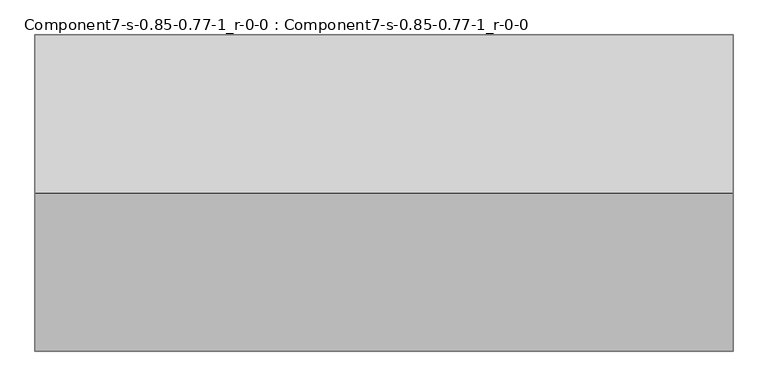
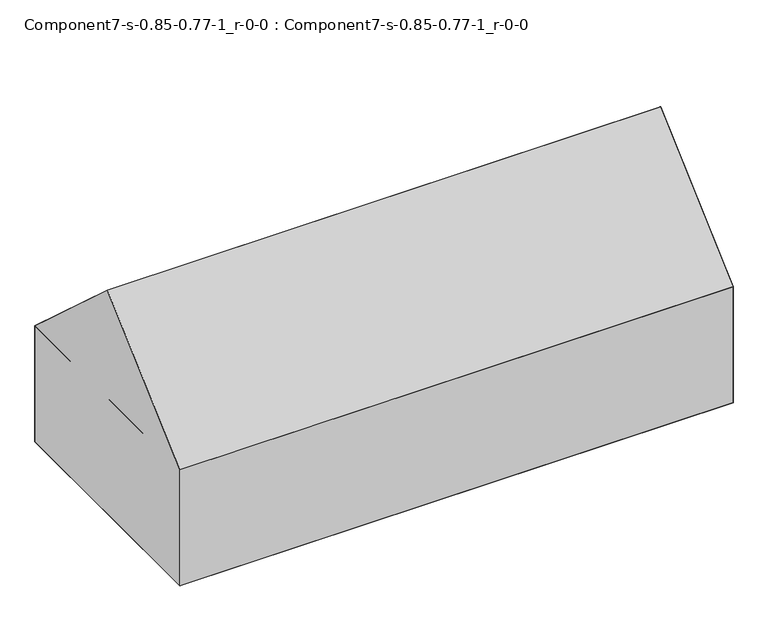
"""IFC4 building model written with IfcOpenShell, lengths in millimetres: geographic element geometry, Component7-s-0.85-0.77-1_r-0-0 : Component7-s-0.85-0.77-1_r-0-0."""

import ifcopenshell
import ifcopenshell.guid

model = None  # the IFC model being written
_history = None  # IfcOwnerHistory: only IFC2X3 demands one
_inside = {}  # id of a spatial element -> (the spatial element, [elements in it])
_under = {}  # id of a project, library or spatial element -> (it, [spatial elements below it])
_declared = {}  # id of a project -> (the project, [libraries it declares])
_typed = {}  # id of a type object -> (the type object, [elements of that type])
_made_of = {}  # id of a material, layer set ... -> (it, [elements and type objects made of it])


def new_model(schema):
    """Start an empty IFC model of exactly this schema.

    Asked for "IFC4X3", IfcOpenShell would pick the latest addendum, in which some entities
    have other attributes; the version numbers below select the first issue.
    IFC2X3 requires an IfcOwnerHistory on every rooted entity: one is made here for all.
    """
    global model, _history
    if schema == "IFC4X3":
        model = ifcopenshell.file(schema_version=(4, 3, 0, 0))
    else:
        model = ifcopenshell.file(schema=schema)
    _inside.clear()
    _under.clear()
    _declared.clear()
    _typed.clear()
    _made_of.clear()
    _history = None
    if model.schema == "IFC2X3":
        org = make("IfcOrganization", Name="unknown")
        user = make(
            "IfcPersonAndOrganization",
            ThePerson=make("IfcPerson", FamilyName="unknown"),
            TheOrganization=org,
        )
        app = make(
            "IfcApplication",
            ApplicationDeveloper=org,
            Version="unknown",
            ApplicationFullName="unknown",
            ApplicationIdentifier="unknown",
        )
        _history = make(
            "IfcOwnerHistory",
            OwningUser=user,
            OwningApplication=app,
            ChangeAction="ADDED",
            CreationDate=0,
        )
    return model


def make(cls, **values):
    """One entity of the class cls with the attributes given. An attribute that is None is left unset."""
    return model.create_entity(
        cls, **{name: value for name, value in values.items() if value is not None}
    )


def rooted(cls, **values):
    """An entity with a GlobalId (a new one), such as an element, a storey or a relation."""
    return make(cls, GlobalId=ifcopenshell.guid.new(), OwnerHistory=_history, **values)


def si_unit(unit_type, name, prefix=None):
    """IfcSIUnit, for example si_unit("LENGTHUNIT", "METRE", prefix="MILLI")."""
    return make("IfcSIUnit", UnitType=unit_type, Prefix=prefix, Name=name)


def assignment(units):
    """IfcUnitAssignment: the units of a project."""
    return None if units is None else make("IfcUnitAssignment", Units=units)


def point(xyz):
    """IfcCartesianPoint."""
    return None if xyz is None else make("IfcCartesianPoint", Coordinates=xyz)


def direction(xyz):
    """IfcDirection."""
    return None if xyz is None else make("IfcDirection", DirectionRatios=xyz)


def frame(location, z_axis=None, x_axis=None):
    """IfcAxis2Placement3D, a coordinate frame: its origin and axes. An axis left out is left unset."""
    return make(
        "IfcAxis2Placement3D",
        Location=point(location),
        Axis=direction(z_axis),
        RefDirection=direction(x_axis),
    )


def origin():
    """The frame at (0, 0, 0) with its axes left unset."""
    return frame((0.0, 0.0, 0.0))


def place(relative_to, where):
    """IfcLocalPlacement: puts the frame where relative to a parent placement (None: the world)."""
    return make(
        "IfcLocalPlacement", PlacementRelTo=relative_to, RelativePlacement=where
    )


def context(
    kind, dimensions, precision=None, world=None, true_north=None, identifier=None
):
    """IfcGeometricRepresentationContext, for example the 3D "Model" context."""
    return make(
        "IfcGeometricRepresentationContext",
        ContextIdentifier=identifier,
        ContextType=kind,
        CoordinateSpaceDimension=dimensions,
        Precision=precision,
        WorldCoordinateSystem=world,
        TrueNorth=true_north,
    )


def project(units=None, contexts=None):
    """IfcProject with its units and contexts."""
    return rooted(
        "IfcProject",
        Name="project",
        RepresentationContexts=contexts,
        UnitsInContext=assignment(units),
    )


def spatial(cls, under=None, at=None, **own):
    """A site, building, storey or space (cls), placed at a placement, below another one or the project."""
    s = rooted(cls, ObjectPlacement=at, **own)
    if under is not None:
        _under.setdefault(under.id(), (under, []))[1].append(s)
    return s


def point_list(points):
    """IfcCartesianPointList2D or 3D."""
    cls = (
        "IfcCartesianPointList2D" if len(points[0]) == 2 else "IfcCartesianPointList3D"
    )
    return make(cls, CoordList=points)


def triangles(points, corners, closed=None, point_numbers=None):
    """IfcTriangulatedFaceSet: each triangle names its three corners, points numbered from 1."""
    return make(
        "IfcTriangulatedFaceSet",
        Coordinates=point_list(points),
        Closed=closed,
        CoordIndex=corners,
        PnIndex=point_numbers,
    )


def shape(context_of_items, identifier, shape_type, items):
    """IfcShapeRepresentation: the items that make up one representation, for example the "Body"."""
    return make(
        "IfcShapeRepresentation",
        ContextOfItems=context_of_items,
        RepresentationIdentifier=identifier,
        RepresentationType=shape_type,
        Items=items,
    )


def source(mapping_origin, context_of_items, identifier, shape_type, items):
    """IfcRepresentationMap: a shape defined once, which mapped items show again and again."""
    return make(
        "IfcRepresentationMap",
        MappingOrigin=mapping_origin,
        MappedRepresentation=shape(context_of_items, identifier, shape_type, items),
    )


def transform(
    local_origin,
    x_axis=None,
    y_axis=None,
    z_axis=None,
    scale=None,
    scale2=None,
    scale3=None,
    uniform=True,
):
    """IfcCartesianTransformationOperator3D, or its non-uniform kind. x_axis, y_axis, z_axis: its Axis1, 2, 3."""
    if uniform:
        return make(
            "IfcCartesianTransformationOperator3D",
            Axis1=direction(x_axis),
            Axis2=direction(y_axis),
            LocalOrigin=point(local_origin),
            Scale=scale,
            Axis3=direction(z_axis),
        )
    return make(
        "IfcCartesianTransformationOperator3DnonUniform",
        Axis1=direction(x_axis),
        Axis2=direction(y_axis),
        LocalOrigin=point(local_origin),
        Scale=scale,
        Axis3=direction(z_axis),
        Scale2=scale2,
        Scale3=scale3,
    )


def mapped(mapping_source, mapping_target):
    """IfcMappedItem: shows the shape of a source again, moved by a transform."""
    return make(
        "IfcMappedItem", MappingSource=mapping_source, MappingTarget=mapping_target
    )


def made_of(thing, what):
    """Note that an element or type object is made of a material, layer set ...; save() writes the relation."""
    if what is not None:
        _made_of.setdefault(what.id(), (what, []))[1].append(thing)
    return thing


def element(
    cls,
    number,
    at=None,
    inside=None,
    cuts=None,
    type_object=None,
    material=None,
    context=None,
    identifier="Body",
    shape_type=None,
    held_by="IfcProductDefinitionShape",
    body=None,
    shapes=None,
    **own,
):
    """One element of the class cls, such as IfcWall. Its Tag is "e" and its number.

    at: its placement. inside: the storey or other place that contains it. cuts: it is an
    opening in that element (IfcRelVoidsElement). A single representation is given by context,
    identifier, shape_type and body (its items); several are given by shapes. held_by: the class
    of the entity that holds the representations. save() writes the other relations.
    """
    e = rooted(cls, Tag="e%d" % number, ObjectPlacement=at, **own)
    if body is not None:
        shapes = [shape(context, identifier, shape_type, body)]
    if shapes is not None:
        e.Representation = make(held_by, Representations=shapes)
    if inside is not None:
        _inside.setdefault(inside.id(), (inside, []))[1].append(e)
    if cuts is not None:
        rooted(
            "IfcRelVoidsElement", RelatingBuildingElement=cuts, RelatedOpeningElement=e
        )
    if type_object is not None:
        _typed.setdefault(type_object.id(), (type_object, []))[1].append(e)
    return made_of(e, material)


def aggregate(whole, parts):
    """IfcRelAggregates: a whole, such as a stair, and the parts it consists of."""
    return rooted("IfcRelAggregates", RelatingObject=whole, RelatedObjects=parts)


def save(model, path):
    """Write the relations noted so far, then the file.

    IfcRelAggregates (storeys below a building ...), IfcRelContainedInSpatialStructure (elements
    in a storey), IfcRelDefinesByType, IfcRelAssociatesMaterial and IfcRelDeclares: one each for
    every whole, place, type object, material and project.
    """
    for whole, parts in _under.values():
        aggregate(whole, parts)
    for where, things in _inside.values():
        rooted(
            "IfcRelContainedInSpatialStructure",
            RelatedElements=things,
            RelatingStructure=where,
        )
    for kind, things in _typed.values():
        rooted("IfcRelDefinesByType", RelatedObjects=things, RelatingType=kind)
    for what, things in _made_of.values():
        rooted("IfcRelAssociatesMaterial", RelatedObjects=things, RelatingMaterial=what)
    for by, libraries in _declared.values():
        rooted("IfcRelDeclares", RelatingContext=by, RelatedDefinitions=libraries)
    model.write(path)


def component7_s_0_85_0_77_1_r_0_0_component7_s_0_85_0_77_1_r_0_ed2972a4(model_context):
    return source(origin(), model_context, "Body", "Tessellation", [
        triangles([(15200.5570587, 518.1600145, 3263.8999031), (471.8303933, 3857.8630669, 6296.025), (471.8303933, 518.1600145, 3263.8999031), (15200.5570587, 3857.8630669, 6296.025), (15200.5570587, 7197.5664825, 3263.8999031), (471.8303933, 7197.5664825, 3263.8999031), (15200.5570587, 7197.5664825, 0.0), (471.8303933, 518.1600145, 0.0), (471.8303933, 7197.5664825, 0.0), (15200.5570587, 518.1600145, 0.0)], [[1, 2, 3], [2, 1, 4], [5, 4, 1], [6, 3, 2], [5, 3, 6], [3, 5, 1], [4, 6, 2], [6, 4, 5], [1, 6, 3], [6, 1, 5], [7, 8, 9], [8, 7, 10], [6, 8, 3], [8, 6, 9], [1, 8, 10], [8, 1, 3], [6, 7, 9], [7, 6, 5], [7, 1, 10], [1, 7, 5]], closed=False),
    ])


if __name__ == "__main__":
    model = new_model("IFC4")
    model_context = context("Model", 3, world=origin())
    ifc_project = project(units=[si_unit("LENGTHUNIT", "METRE", prefix="MILLI")], contexts=[model_context])
    site = spatial("IfcSite", under=ifc_project)
    building = spatial("IfcBuilding", under=site)
    placement = place(None, origin())
    component7_s_0_85_0_77_1_r_0_0_component7_s_0_85_0_77_1_r_0_shape = component7_s_0_85_0_77_1_r_0_0_component7_s_0_85_0_77_1_r_0_ed2972a4(model_context)
    element("IfcGeographicElement", 1, ObjectType="Component7-s-0.85-0.77-1_r-0-0 : Component7-s-0.85-0.77-1_r-0-0", at=placement, inside=building, context=model_context, shape_type="MappedRepresentation", body=[
        mapped(component7_s_0_85_0_77_1_r_0_0_component7_s_0_85_0_77_1_r_0_shape, transform((0.0, 0.0, 0.0), x_axis=(1.0, 0.0, 0.0), y_axis=(0.0, 1.0, 0.0), z_axis=(0.0, 0.0, 1.0))),
    ])
    save(model, "model.ifc")
